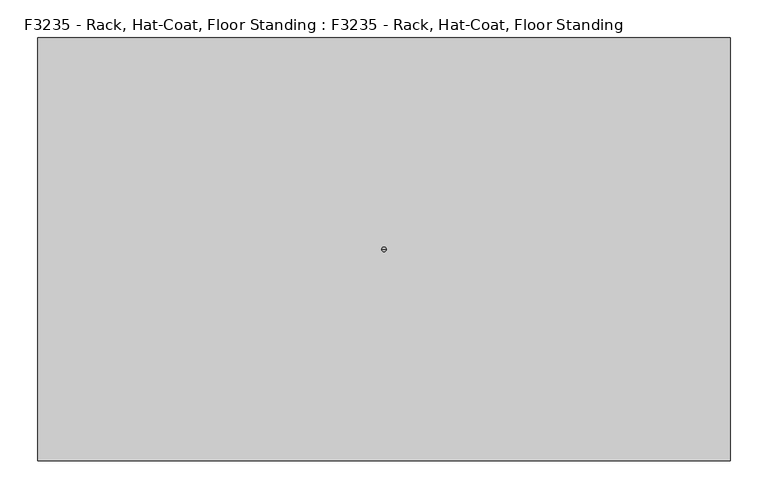
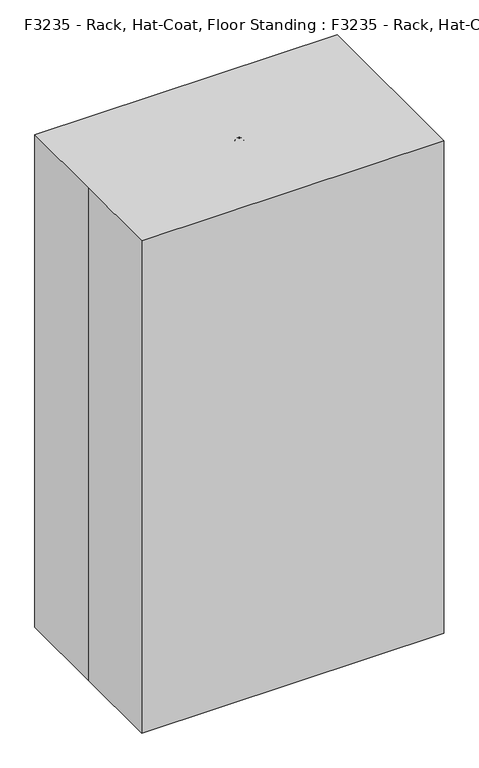
"""IFC4 building model written with IfcOpenShell, lengths in millimetres: proxy geometry, F3235 - Rack, Hat-Coat, Floor Standing : F3235 - Rack, Hat-Coat, Floor Standing."""

from ifc_helpers import new_model, si_unit, point, frame, origin, origin_with_axes, origin_2d, place, context, project, spatial, polyline, circle_curve, ellipse_curve, trimmed, segment, composite_curve, outline, extrude, source, transform, mapped, element, save
from ifc_brep_helpers import plane_surface, cylinder_surface, revolved_surface, advanced_brep


def f3235_rack_hat_coat_floor_standing_f3235_rack_hat_coat_floor_79879230(model_context):
    return source(origin(), model_context, "Body", "SolidModel", [
        advanced_brep(
        [(0.0, 0.0, 1574.8), (12.7, 0.0, 1562.1), (-12.7, 0.0, 1562.1), (0.0, 0.0, 1562.1)],
        [
            (0, 1, circle_curve(frame((0.0, 0.0, 1562.1), z_axis=(0.0, 1.0, 0.0), x_axis=(1.0, 0.0, 0.0)), 12.7)),
            (1, 2, circle_curve(frame((0.0, 0.0, 1562.1), z_axis=(0.0, 0.0, 1.0), x_axis=(1.0, 0.0, 0.0)), 12.7)),
            (2, 0, circle_curve(frame((0.0, 0.0, 1562.1), z_axis=(0.0, 1.0, 0.0), x_axis=(-1.0, 0.0, 0.0)), 12.7)),
            (2, 1, circle_curve(frame((0.0, 0.0, 1562.1), z_axis=(0.0, 0.0, 1.0), x_axis=(1.0, 0.0, 0.0)), 12.7)),
            (1, 3),
            (3, 2),
        ],
        [
            revolved_surface(trimmed(ellipse_curve(frame((0.0, 0.0, 1562.1), z_axis=(0.0, -1.0, 0.0), x_axis=(1.0, 0.0, 0.0)), 12.7, 12.7), [point((12.7, 0.0, 1562.1))], [point((0.0, 0.0, 1574.8))], True, "CARTESIAN"), (0.0, 0.0, 1562.1), (0.0, 0.0, 1.0)),
            plane_surface(frame((0.0, 0.0, 1562.1), z_axis=(0.0, 0.0, -1.0), x_axis=(1.0, 0.0, 0.0))),
        ],
        [
            (0, [[1, 2, 3]]),
            (0, [[-3, 4, -1]]),
            (1, [[-2, 5, 6]]),
            (1, [[-4, -6, -5]]),
        ],
    ),
        advanced_brep(
        [(155.8006403, 0.0, 750.0703842), (146.8203842, 0.0, 759.0506403), (135.9802561, 0.0, 730.25), (130.7197439, 0.0, 742.95), (-135.9802561, 0.0, 730.25), (-130.7197439, 0.0, 742.95), (-155.8006403, 0.0, 750.0703842), (-146.8203842, 0.0, 759.0506403)],
        [
            (0, 1, circle_curve(frame((151.3105122, 0.0, 754.5605122), z_axis=(0.7071067811865475, 0.0, 0.7071067811865476), x_axis=(-0.7071067811865476, 0.0, 0.7071067811865475)), 6.35)),
            (1, 0, circle_curve(frame((151.3105122, 0.0, 754.5605122), z_axis=(0.7071067811865475, 0.0, 0.7071067811865476), x_axis=(-0.7071067811865476, 0.0, 0.7071067811865475)), 6.35)),
            (0, 2),
            (2, 3, ellipse_curve(frame((133.35, 0.0, 736.6), z_axis=(0.923879532511286, 0.0, 0.38268343236509156), x_axis=(-0.38268343236509134, 0.0, 0.9238795325112862)), 6.8731905, 6.35)),
            (3, 1),
            (3, 2, ellipse_curve(frame((133.35, 0.0, 736.6), z_axis=(0.923879532511286, 0.0, 0.38268343236509156), x_axis=(-0.38268343236509134, 0.0, 0.9238795325112862)), 6.8731905, 6.35)),
            (2, 4),
            (4, 5, ellipse_curve(frame((-133.35, 0.0, 736.6), z_axis=(0.923879532511287, 0.0, -0.3826834323650893), x_axis=(0.38268343236508917, 0.0, 0.9238795325112871)), 6.8731905, 6.35)),
            (5, 3),
            (5, 4, ellipse_curve(frame((-133.35, 0.0, 736.6), z_axis=(0.923879532511287, 0.0, -0.3826834323650893), x_axis=(0.38268343236508917, 0.0, 0.9238795325112871)), 6.8731905, 6.35)),
            (6, 7, circle_curve(frame((-151.3105122, 0.0, 754.5605122), z_axis=(-0.7071067811865457, 0.0, 0.7071067811865495), x_axis=(0.7071067811865495, 0.0, 0.7071067811865457)), 6.35)),
            (7, 6, circle_curve(frame((-151.3105122, 0.0, 754.5605122), z_axis=(-0.7071067811865457, 0.0, 0.7071067811865495), x_axis=(0.7071067811865495, 0.0, 0.7071067811865457)), 6.35)),
            (4, 6),
            (7, 5),
        ],
        [
            plane_surface(frame((151.3105122, 0.0, 754.5605122), z_axis=(0.7071067811865475, 0.0, 0.7071067811865476), x_axis=(0.0, 1.0, 0.0))),
            cylinder_surface(frame((151.3105122, 0.0, 754.5605122), z_axis=(0.7071067811865475, 0.0, 0.7071067811865476), x_axis=(-0.7071067811865476, 0.0, 0.7071067811865475)), 6.35),
            cylinder_surface(frame((133.35, 0.0, 736.6), z_axis=(1.0, 0.0, 0.0), x_axis=(0.0, 0.0, 1.0)), 6.35),
            plane_surface(frame((-151.3105122, 0.0, 754.5605122), z_axis=(-0.7071067811865456, 0.0, 0.7071067811865496), x_axis=(0.0, 1.0, 0.0))),
            cylinder_surface(frame((-133.35, 0.0, 736.6), z_axis=(0.7071067811865457, 0.0, -0.7071067811865495), x_axis=(0.7071067811865495, 0.0, 0.7071067811865457)), 6.35),
        ],
        [
            (0, [[1, 2]]),
            (1, [[-1, 3, 4, 5]]),
            (1, [[-2, -5, 6, -3]]),
            (2, [[-4, 7, 8, 9]]),
            (2, [[-6, -9, 10, -7]]),
            (3, [[11, 12]]),
            (4, [[-8, 13, -12, 14]]),
            (4, [[-10, -14, -11, -13]]),
        ],
    ),
        advanced_brep(
        [(0.0, -155.8006403, 750.0703842), (0.0, -146.8203842, 759.0506403), (0.0, -135.9802561, 730.25), (0.0, -130.7197439, 742.95), (0.0, 135.9802561, 730.25), (0.0, 130.7197439, 742.95), (0.0, 155.8006403, 750.0703842), (0.0, 146.8203842, 759.0506403)],
        [
            (0, 1, circle_curve(frame((0.0, -151.3105122, 754.5605122), z_axis=(0.0, -0.7071067811865475, 0.7071067811865476), x_axis=(0.0, 0.7071067811865476, 0.7071067811865475)), 6.35)),
            (1, 0, circle_curve(frame((0.0, -151.3105122, 754.5605122), z_axis=(0.0, -0.7071067811865475, 0.7071067811865476), x_axis=(0.0, 0.7071067811865476, 0.7071067811865475)), 6.35)),
            (0, 2),
            (2, 3, ellipse_curve(frame((0.0, -133.35, 736.6), z_axis=(0.0, -0.923879532511286, 0.3826834323650915), x_axis=(0.0, 0.3826834323650913, 0.9238795325112862)), 6.8731905, 6.35)),
            (3, 1),
            (3, 2, ellipse_curve(frame((0.0, -133.35, 736.6), z_axis=(0.0, -0.923879532511286, 0.3826834323650915), x_axis=(0.0, 0.3826834323650913, 0.9238795325112862)), 6.8731905, 6.35)),
            (2, 4),
            (4, 5, ellipse_curve(frame((0.0, 133.35, 736.6), z_axis=(0.0, -0.923879532511287, -0.3826834323650893), x_axis=(0.0, -0.38268343236508917, 0.9238795325112868)), 6.8731905, 6.35)),
            (5, 3),
            (5, 4, ellipse_curve(frame((0.0, 133.35, 736.6), z_axis=(0.0, -0.923879532511287, -0.3826834323650893), x_axis=(0.0, -0.38268343236508917, 0.9238795325112868)), 6.8731905, 6.35)),
            (6, 7, circle_curve(frame((0.0, 151.3105122, 754.5605122), z_axis=(0.0, 0.7071067811865457, 0.7071067811865495), x_axis=(0.0, -0.7071067811865495, 0.7071067811865457)), 6.35)),
            (7, 6, circle_curve(frame((0.0, 151.3105122, 754.5605122), z_axis=(0.0, 0.7071067811865457, 0.7071067811865495), x_axis=(0.0, -0.7071067811865495, 0.7071067811865457)), 6.35)),
            (4, 6),
            (7, 5),
        ],
        [
            plane_surface(frame((0.0, -151.3105122, 754.5605122), z_axis=(0.0, -0.7071067811865475, 0.7071067811865476), x_axis=(1.0, 0.0, 0.0))),
            cylinder_surface(frame((0.0, -151.3105122, 754.5605122), z_axis=(0.0, -0.7071067811865475, 0.7071067811865476), x_axis=(0.0, 0.7071067811865476, 0.7071067811865475)), 6.35),
            cylinder_surface(frame((0.0, -133.35, 736.6), z_axis=(0.0, -1.0, 0.0), x_axis=(0.0, 0.0, 1.0)), 6.35),
            plane_surface(frame((0.0, 151.3105122, 754.5605122), z_axis=(0.0, 0.7071067811865456, 0.7071067811865496), x_axis=(1.0, 0.0, 0.0))),
            cylinder_surface(frame((0.0, 133.35, 736.6), z_axis=(0.0, -0.7071067811865457, -0.7071067811865495), x_axis=(0.0, -0.7071067811865495, 0.7071067811865457)), 6.35),
        ],
        [
            (0, [[1, 2]]),
            (1, [[-1, 3, 4, 5]]),
            (1, [[-2, -5, 6, -3]]),
            (2, [[-4, 7, 8, 9]]),
            (2, [[-6, -9, 10, -7]]),
            (3, [[11, 12]]),
            (4, [[-8, 13, -12, 14]]),
            (4, [[-10, -14, -11, -13]]),
        ],
    ),
        advanced_brep(
        [(-110.1676893, 110.1676893, 1308.8703842), (-103.8176893, 103.8176893, 1317.8506403), (-96.1525612, 96.1525612, 1289.05), (-92.4328173, 92.4328173, 1301.75), (96.1525612, -96.1525612, 1289.05), (92.4328173, -92.4328173, 1301.75), (110.1676893, -110.1676893, 1308.8703842), (103.8176893, -103.8176893, 1317.8506403)],
        [
            (0, 1, circle_curve(frame((-106.9926893, 106.9926893, 1313.3605122), z_axis=(-0.49999999999999784, 0.5000000000000023, 0.7071067811865474), x_axis=(0.49999999999999784, -0.500000000000002, 0.7071067811865477)), 6.35)),
            (1, 0, circle_curve(frame((-106.9926893, 106.9926893, 1313.3605122), z_axis=(-0.49999999999999784, 0.5000000000000023, 0.7071067811865474), x_axis=(0.49999999999999784, -0.500000000000002, 0.7071067811865477)), 6.35)),
            (0, 2),
            (2, 3, ellipse_curve(frame((-94.2926893, 94.2926893, 1295.4), z_axis=(-0.653281482438185, 0.6532814824381907, 0.3826834323650912), x_axis=(0.2705980500730985, -0.27059805007310067, 0.923879532511286)), 6.8731905, 6.35)),
            (3, 1),
            (3, 2, ellipse_curve(frame((-94.2926893, 94.2926893, 1295.4), z_axis=(-0.653281482438185, 0.6532814824381907, 0.3826834323650912), x_axis=(0.2705980500730985, -0.27059805007310067, 0.923879532511286)), 6.8731905, 6.35)),
            (2, 4),
            (4, 5, ellipse_curve(frame((94.2926893, -94.2926893, 1295.4), z_axis=(-0.6532814824381853, 0.6532814824381913, -0.38268343236508956), x_axis=(-0.27059805007309773, 0.2705980500730995, 0.9238795325112867)), 6.8731905, 6.35)),
            (5, 3),
            (5, 4, ellipse_curve(frame((94.2926893, -94.2926893, 1295.4), z_axis=(-0.6532814824381853, 0.6532814824381913, -0.38268343236508956), x_axis=(-0.27059805007309773, 0.2705980500730995, 0.9238795325112867)), 6.8731905, 6.35)),
            (6, 7, circle_curve(frame((106.9926893, -106.9926893, 1313.3605122), z_axis=(0.4999999999999961, -0.5000000000000009, 0.7071067811865497), x_axis=(-0.499999999999999, 0.500000000000004, 0.7071067811865454)), 6.35)),
            (7, 6, circle_curve(frame((106.9926893, -106.9926893, 1313.3605122), z_axis=(0.4999999999999961, -0.5000000000000009, 0.7071067811865497), x_axis=(-0.499999999999999, 0.500000000000004, 0.7071067811865454)), 6.35)),
            (4, 6),
            (7, 5),
        ],
        [
            plane_surface(frame((-106.9926893, 106.9926893, 1313.3605122), z_axis=(-0.49999999999999795, 0.5000000000000024, 0.7071067811865475), x_axis=(-0.7071067811865508, -0.7071067811865444, 0.0))),
            cylinder_surface(frame((-106.9926893, 106.9926893, 1313.3605122), z_axis=(-0.49999999999999795, 0.5000000000000024, 0.7071067811865475), x_axis=(0.49999999999999784, -0.500000000000002, 0.7071067811865477)), 6.35),
            cylinder_surface(frame((-94.2926893, 94.2926893, 1295.4), z_axis=(-0.7071067811865445, 0.7071067811865507, 0.0), x_axis=(0.0, 0.0, 1.0)), 6.35),
            plane_surface(frame((106.9926893, -106.9926893, 1313.3605122), z_axis=(0.4999999999999963, -0.500000000000001, 0.7071067811865496), x_axis=(-0.7071067811865507, -0.7071067811865444, 0.0))),
            cylinder_surface(frame((94.2926893, -94.2926893, 1295.4), z_axis=(-0.4999999999999961, 0.5000000000000009, -0.7071067811865497), x_axis=(-0.499999999999999, 0.500000000000004, 0.7071067811865454)), 6.35),
        ],
        [
            (0, [[1, 2]]),
            (1, [[-1, 3, 4, 5]]),
            (1, [[-2, -5, 6, -3]]),
            (2, [[-4, 7, 8, 9]]),
            (2, [[-6, -9, 10, -7]]),
            (3, [[11, 12]]),
            (4, [[-8, 13, -12, 14]]),
            (4, [[-10, -14, -11, -13]]),
        ],
    ),
        advanced_brep(
        [(110.1676893, 110.1676893, 1308.8703842), (103.8176893, 103.8176893, 1317.8506403), (96.1525612, 96.1525612, 1289.05), (92.4328173, 92.4328173, 1301.75), (-96.1525612, -96.1525612, 1289.05), (-92.4328173, -92.4328173, 1301.75), (-110.1676893, -110.1676893, 1308.8703842), (-103.8176893, -103.8176893, 1317.8506403)],
        [
            (0, 1, circle_curve(frame((106.9926893, 106.9926893, 1313.3605122), z_axis=(0.5000000000000013, 0.49999999999999856, 0.7071067811865476), x_axis=(-0.5000000000000013, -0.4999999999999988, 0.7071067811865476)), 6.35)),
            (1, 0, circle_curve(frame((106.9926893, 106.9926893, 1313.3605122), z_axis=(0.5000000000000013, 0.49999999999999856, 0.7071067811865476), x_axis=(-0.5000000000000013, -0.4999999999999988, 0.7071067811865476)), 6.35)),
            (0, 2),
            (2, 3, ellipse_curve(frame((94.2926893, 94.2926893, 1295.4), z_axis=(0.6532814824381896, 0.6532814824381858, 0.38268343236509145), x_axis=(-0.2705980500731004, -0.27059805007309834, 0.9238795325112861)), 6.8731905, 6.35)),
            (3, 1),
            (3, 2, ellipse_curve(frame((94.2926893, 94.2926893, 1295.4), z_axis=(0.6532814824381896, 0.6532814824381858, 0.38268343236509145), x_axis=(-0.2705980500731004, -0.27059805007309834, 0.9238795325112861)), 6.8731905, 6.35)),
            (2, 4),
            (4, 5, ellipse_curve(frame((-94.2926893, -94.2926893, 1295.4), z_axis=(0.6532814824381903, 0.6532814824381864, -0.38268343236508945), x_axis=(0.2705980500730989, 0.27059805007309773, 0.9238795325112868)), 6.8731905, 6.35)),
            (5, 3),
            (5, 4, ellipse_curve(frame((-94.2926893, -94.2926893, 1295.4), z_axis=(0.6532814824381903, 0.6532814824381864, -0.38268343236508945), x_axis=(0.2705980500730989, 0.27059805007309773, 0.9238795325112868)), 6.8731905, 6.35)),
            (6, 7, circle_curve(frame((-106.9926893, -106.9926893, 1313.3605122), z_axis=(-0.5, -0.4999999999999971, 0.7071067811865496), x_axis=(0.5000000000000029, 0.49999999999999994, 0.7071067811865455)), 6.35)),
            (7, 6, circle_curve(frame((-106.9926893, -106.9926893, 1313.3605122), z_axis=(-0.5, -0.4999999999999971, 0.7071067811865496), x_axis=(0.5000000000000029, 0.49999999999999994, 0.7071067811865455)), 6.35)),
            (4, 6),
            (7, 5),
        ],
        [
            plane_surface(frame((106.9926893, 106.9926893, 1313.3605122), z_axis=(0.5000000000000014, 0.49999999999999867, 0.7071067811865477), x_axis=(-0.7071067811865456, 0.7071067811865496, 0.0))),
            cylinder_surface(frame((106.9926893, 106.9926893, 1313.3605122), z_axis=(0.5000000000000014, 0.49999999999999867, 0.7071067811865477), x_axis=(-0.5000000000000013, -0.4999999999999988, 0.7071067811865476)), 6.35),
            cylinder_surface(frame((94.2926893, 94.2926893, 1295.4), z_axis=(0.7071067811865496, 0.7071067811865455, 0.0), x_axis=(0.0, 0.0, 1.0)), 6.35),
            plane_surface(frame((-106.9926893, -106.9926893, 1313.3605122), z_axis=(-0.4999999999999998, -0.4999999999999973, 0.7071067811865495), x_axis=(-0.7071067811865457, 0.7071067811865493, 0.0))),
            cylinder_surface(frame((-94.2926893, -94.2926893, 1295.4), z_axis=(0.5, 0.4999999999999971, -0.7071067811865496), x_axis=(0.5000000000000029, 0.49999999999999994, 0.7071067811865455)), 6.35),
        ],
        [
            (0, [[1, 2]]),
            (1, [[-1, 3, 4, 5]]),
            (1, [[-2, -5, 6, -3]]),
            (2, [[-4, 7, 8, 9]]),
            (2, [[-6, -9, 10, -7]]),
            (3, [[11, 12]]),
            (4, [[-8, 13, -12, 14]]),
            (4, [[-10, -14, -11, -13]]),
        ],
    ),
        advanced_brep(
        [(155.8006403, 0.0, 1461.2703842), (146.8203842, 0.0, 1470.2506403), (135.9802561, 0.0, 1441.45), (130.7197439, 0.0, 1454.15), (-135.9802561, 0.0, 1441.45), (-130.7197439, 0.0, 1454.15), (-155.8006403, 0.0, 1461.2703842), (-146.8203842, 0.0, 1470.2506403)],
        [
            (0, 1, circle_curve(frame((151.3105122, 0.0, 1465.7605122), z_axis=(0.7071067811865475, 0.0, 0.7071067811865476), x_axis=(-0.7071067811865476, 0.0, 0.7071067811865475)), 6.35)),
            (1, 0, circle_curve(frame((151.3105122, 0.0, 1465.7605122), z_axis=(0.7071067811865475, 0.0, 0.7071067811865476), x_axis=(-0.7071067811865476, 0.0, 0.7071067811865475)), 6.35)),
            (0, 2),
            (2, 3, ellipse_curve(frame((133.35, 0.0, 1447.8), z_axis=(0.923879532511286, 0.0, 0.38268343236509156), x_axis=(-0.38268343236509134, 0.0, 0.9238795325112862)), 6.8731905, 6.35)),
            (3, 1),
            (3, 2, ellipse_curve(frame((133.35, 0.0, 1447.8), z_axis=(0.923879532511286, 0.0, 0.38268343236509156), x_axis=(-0.38268343236509134, 0.0, 0.9238795325112862)), 6.8731905, 6.35)),
            (2, 4),
            (4, 5, ellipse_curve(frame((-133.35, 0.0, 1447.8), z_axis=(0.923879532511287, 0.0, -0.3826834323650893), x_axis=(0.38268343236508917, 0.0, 0.9238795325112871)), 6.8731905, 6.35)),
            (5, 3),
            (5, 4, ellipse_curve(frame((-133.35, 0.0, 1447.8), z_axis=(0.923879532511287, 0.0, -0.3826834323650893), x_axis=(0.38268343236508917, 0.0, 0.9238795325112871)), 6.8731905, 6.35)),
            (6, 7, circle_curve(frame((-151.3105122, 0.0, 1465.7605122), z_axis=(-0.7071067811865457, 0.0, 0.7071067811865495), x_axis=(0.7071067811865495, 0.0, 0.7071067811865457)), 6.35)),
            (7, 6, circle_curve(frame((-151.3105122, 0.0, 1465.7605122), z_axis=(-0.7071067811865457, 0.0, 0.7071067811865495), x_axis=(0.7071067811865495, 0.0, 0.7071067811865457)), 6.35)),
            (4, 6),
            (7, 5),
        ],
        [
            plane_surface(frame((151.3105122, 0.0, 1465.7605122), z_axis=(0.7071067811865475, 0.0, 0.7071067811865476), x_axis=(0.0, 1.0, 0.0))),
            cylinder_surface(frame((151.3105122, 0.0, 1465.7605122), z_axis=(0.7071067811865475, 0.0, 0.7071067811865476), x_axis=(-0.7071067811865476, 0.0, 0.7071067811865475)), 6.35),
            cylinder_surface(frame((133.35, 0.0, 1447.8), z_axis=(1.0, 0.0, 0.0), x_axis=(0.0, 0.0, 1.0)), 6.35),
            plane_surface(frame((-151.3105122, 0.0, 1465.7605122), z_axis=(-0.7071067811865456, 0.0, 0.7071067811865496), x_axis=(0.0, 1.0, 0.0))),
            cylinder_surface(frame((-133.35, 0.0, 1447.8), z_axis=(0.7071067811865457, 0.0, -0.7071067811865495), x_axis=(0.7071067811865495, 0.0, 0.7071067811865457)), 6.35),
        ],
        [
            (0, [[1, 2]]),
            (1, [[-1, 3, 4, 5]]),
            (1, [[-2, -5, 6, -3]]),
            (2, [[-4, 7, 8, 9]]),
            (2, [[-6, -9, 10, -7]]),
            (3, [[11, 12]]),
            (4, [[-8, 13, -12, 14]]),
            (4, [[-10, -14, -11, -13]]),
        ],
    ),
        advanced_brep(
        [(0.0, -155.8006403, 1461.2703842), (0.0, -146.8203842, 1470.2506403), (0.0, -135.9802561, 1441.45), (0.0, -130.7197439, 1454.15), (0.0, 135.9802561, 1441.45), (0.0, 130.7197439, 1454.15), (0.0, 155.8006403, 1461.2703842), (0.0, 146.8203842, 1470.2506403)],
        [
            (0, 1, circle_curve(frame((0.0, -151.3105122, 1465.7605122), z_axis=(0.0, -0.7071067811865475, 0.7071067811865476), x_axis=(0.0, 0.7071067811865476, 0.7071067811865475)), 6.35)),
            (1, 0, circle_curve(frame((0.0, -151.3105122, 1465.7605122), z_axis=(0.0, -0.7071067811865475, 0.7071067811865476), x_axis=(0.0, 0.7071067811865476, 0.7071067811865475)), 6.35)),
            (0, 2),
            (2, 3, ellipse_curve(frame((0.0, -133.35, 1447.8), z_axis=(0.0, -0.923879532511286, 0.3826834323650915), x_axis=(0.0, 0.3826834323650913, 0.9238795325112862)), 6.8731905, 6.35)),
            (3, 1),
            (3, 2, ellipse_curve(frame((0.0, -133.35, 1447.8), z_axis=(0.0, -0.923879532511286, 0.3826834323650915), x_axis=(0.0, 0.3826834323650913, 0.9238795325112862)), 6.8731905, 6.35)),
            (2, 4),
            (4, 5, ellipse_curve(frame((0.0, 133.35, 1447.8), z_axis=(0.0, -0.923879532511287, -0.3826834323650893), x_axis=(0.0, -0.38268343236508917, 0.9238795325112868)), 6.8731905, 6.35)),
            (5, 3),
            (5, 4, ellipse_curve(frame((0.0, 133.35, 1447.8), z_axis=(0.0, -0.923879532511287, -0.3826834323650893), x_axis=(0.0, -0.38268343236508917, 0.9238795325112868)), 6.8731905, 6.35)),
            (6, 7, circle_curve(frame((0.0, 151.3105122, 1465.7605122), z_axis=(0.0, 0.7071067811865457, 0.7071067811865495), x_axis=(0.0, -0.7071067811865495, 0.7071067811865457)), 6.35)),
            (7, 6, circle_curve(frame((0.0, 151.3105122, 1465.7605122), z_axis=(0.0, 0.7071067811865457, 0.7071067811865495), x_axis=(0.0, -0.7071067811865495, 0.7071067811865457)), 6.35)),
            (4, 6),
            (7, 5),
        ],
        [
            plane_surface(frame((0.0, -151.3105122, 1465.7605122), z_axis=(0.0, -0.7071067811865475, 0.7071067811865476), x_axis=(1.0, 0.0, 0.0))),
            cylinder_surface(frame((0.0, -151.3105122, 1465.7605122), z_axis=(0.0, -0.7071067811865475, 0.7071067811865476), x_axis=(0.0, 0.7071067811865476, 0.7071067811865475)), 6.35),
            cylinder_surface(frame((0.0, -133.35, 1447.8), z_axis=(0.0, -1.0, 0.0), x_axis=(0.0, 0.0, 1.0)), 6.35),
            plane_surface(frame((0.0, 151.3105122, 1465.7605122), z_axis=(0.0, 0.7071067811865456, 0.7071067811865496), x_axis=(1.0, 0.0, 0.0))),
            cylinder_surface(frame((0.0, 133.35, 1447.8), z_axis=(0.0, -0.7071067811865457, -0.7071067811865495), x_axis=(0.0, -0.7071067811865495, 0.7071067811865457)), 6.35),
        ],
        [
            (0, [[1, 2]]),
            (1, [[-1, 3, 4, 5]]),
            (1, [[-2, -5, 6, -3]]),
            (2, [[-4, 7, 8, 9]]),
            (2, [[-6, -9, 10, -7]]),
            (3, [[11, 12]]),
            (4, [[-8, 13, -12, 14]]),
            (4, [[-10, -14, -11, -13]]),
        ],
    ),
        extrude(outline(composite_curve([segment(trimmed(circle_curve(origin_2d(), 12.7), [point((-12.7, 0.0))], [point((12.7, 0.0))], False, "CARTESIAN"), True, "CONTINUOUS"), segment(trimmed(circle_curve(origin_2d(), 12.7), [point((12.7, 0.0))], [point((-12.7, 0.0))], False, "CARTESIAN"), True, "CONTINUOUS")], self_intersect=False)), frame((0.0, 0.0, 50.8), z_axis=(0.0, 0.0, 1.0), x_axis=(1.0, 0.0, 0.0)), (0.0, 0.0, 1.0), 1511.3),
        extrude(outline(composite_curve([segment(trimmed(circle_curve(origin_2d(), 152.4), [point((-152.4, 0.0))], [point((152.4, 0.0))], False, "CARTESIAN"), True, "CONTINUOUS"), segment(trimmed(circle_curve(origin_2d(), 152.4), [point((152.4, 0.0))], [point((-152.4, 0.0))], False, "CARTESIAN"), True, "CONTINUOUS")], self_intersect=False)), origin_with_axes(), (0.0, 0.0, 1.0), 25.4),
        advanced_brep(
        [(-12.7, 0.0, 50.8), (12.7, 0.0, 50.8), (-152.4, 0.0, 25.4), (152.4, 0.0, 25.4)],
        [
            (0, 1, circle_curve(frame((0.0, 0.0, 50.8), z_axis=(0.0, 0.0, 1.0), x_axis=(-1.0, 0.0, 0.0)), 12.7)),
            (1, 0, circle_curve(frame((0.0, 0.0, 50.8), z_axis=(0.0, 0.0, 1.0), x_axis=(1.0, 0.0, 0.0)), 12.7)),
            (2, 3, circle_curve(frame((0.0, 0.0, 25.4), z_axis=(0.0, 0.0, -1.0), x_axis=(1.0, 0.0, 0.0)), 152.4)),
            (3, 2, circle_curve(frame((0.0, 0.0, 25.4), z_axis=(0.0, 0.0, -1.0), x_axis=(-1.0, 0.0, 0.0)), 152.4)),
            (3, 1),
            (0, 2),
        ],
        [
            plane_surface(frame((0.0, 0.0, 50.8), z_axis=(0.0, 0.0, 1.0), x_axis=(0.0, -1.0, 0.0))),
            plane_surface(frame((0.0, 0.0, 25.4), z_axis=(0.0, 0.0, -1.0), x_axis=(0.0, -1.0, 0.0))),
            revolved_surface(polyline([(-12.699999954166673, 0.0, 50.8), (-152.4, 0.0, 25.4)]), (0.0, 0.0, 53.1090909), (0.0, 0.0, -1.0)),
            revolved_surface(polyline([(12.699999954166673, 0.0, 50.8), (152.4, 0.0, 25.4)]), (0.0, 0.0, 53.1090909), (0.0, 0.0, -1.0)),
        ],
        [
            (0, [[1, 2]]),
            (1, [[3, 4]]),
            (2, [[-4, 5, -1, 6]]),
            (3, [[-3, -6, -2, -5]]),
        ],
    ),
        extrude(outline(polyline([(-457.2, 279.4), (457.2, 279.4), (457.2, -279.4), (-457.2, -279.4), (-457.2, 0.0), (-457.2, 279.4)])), origin_with_axes(), (0.0, 0.0, 1.0), 1574.8),
    ])


if __name__ == "__main__":
    model = new_model("IFC4")
    model_context = context("Model", 3, world=origin())
    ifc_project = project(units=[si_unit("LENGTHUNIT", "METRE", prefix="MILLI")], contexts=[model_context])
    site = spatial("IfcSite", under=ifc_project)
    building = spatial("IfcBuilding", under=site)
    placement = place(None, origin())
    f3235_rack_hat_coat_floor_standing_f3235_rack_hat_coat_floor_shape = f3235_rack_hat_coat_floor_standing_f3235_rack_hat_coat_floor_79879230(model_context)
    element("IfcBuildingElementProxy", 1, Name="F3235 - Rack, Hat-Coat, Floor Standing : F3235 - Rack, Hat-Coat, Floor Standing", ObjectType="F3235 - Rack, Hat-Coat, Floor Standing : F3235 - Rack, Hat-Coat, Floor Standing", at=placement, inside=building, context=model_context, shape_type="MappedRepresentation", body=[
        mapped(f3235_rack_hat_coat_floor_standing_f3235_rack_hat_coat_floor_shape, transform((0.0, 0.0, 0.0), x_axis=(1.0, 0.0, 0.0), y_axis=(0.0, 1.0, 0.0), z_axis=(0.0, 0.0, 1.0))),
    ])
    save(model, "model.ifc")
